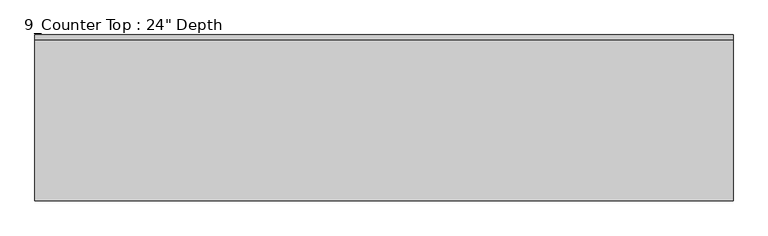
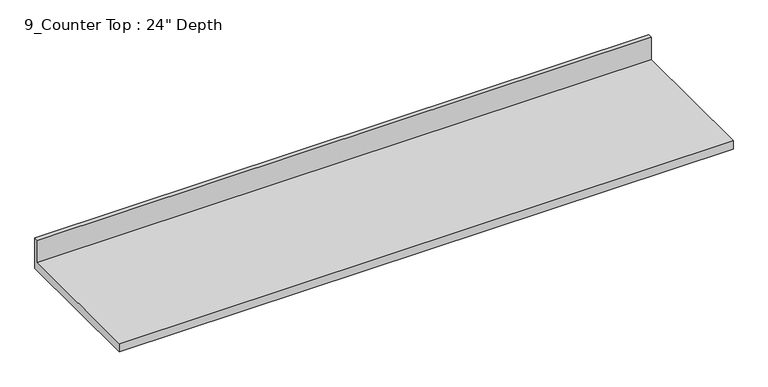
"""IFC4 building model written with IfcOpenShell, lengths in millimetres: furniture geometry."""

from ifc_helpers import new_model, si_unit, frame, origin, place, context, project, spatial, polyline, outline, extrude, source, transform, mapped, element, save


def furniture_8e74176a(model_context):
    return source(origin(), model_context, "Body", "SweptSolid", [
        extrude(outline(polyline([(0.0, 1016.0), (0.0, 876.3), (-635.0, 876.3), (-635.0, 914.4), (-19.05, 914.4), (-19.05, 1016.0), (0.0, 1016.0)])), frame((-1200.4622951, 0.0, 0.0), z_axis=(1.0, 0.0, 0.0), x_axis=(0.0, 1.0, 0.0)), (0.0, 0.0, 1.0), 2670.4244805),
    ])


if __name__ == "__main__":
    model = new_model("IFC4")
    model_context = context("Model", 3, world=origin())
    ifc_project = project(units=[si_unit("LENGTHUNIT", "METRE", prefix="MILLI")], contexts=[model_context])
    site = spatial("IfcSite", under=ifc_project)
    building = spatial("IfcBuilding", under=site)
    placement = place(None, origin())
    furniture_shape = furniture_8e74176a(model_context)
    element("IfcFurniture", 1, ObjectType="9_Counter Top : 24\" Depth", at=placement, inside=building, context=model_context, shape_type="MappedRepresentation", body=[
        mapped(furniture_shape, transform((0.0, 0.0, 0.0), x_axis=(1.0, 0.0, 0.0), y_axis=(0.0, 1.0, 0.0), z_axis=(0.0, 0.0, 1.0))),
    ])
    save(model, "model.ifc")
